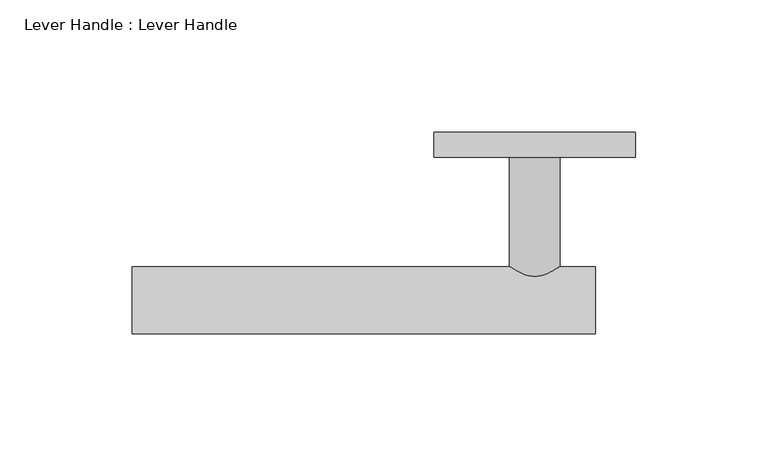
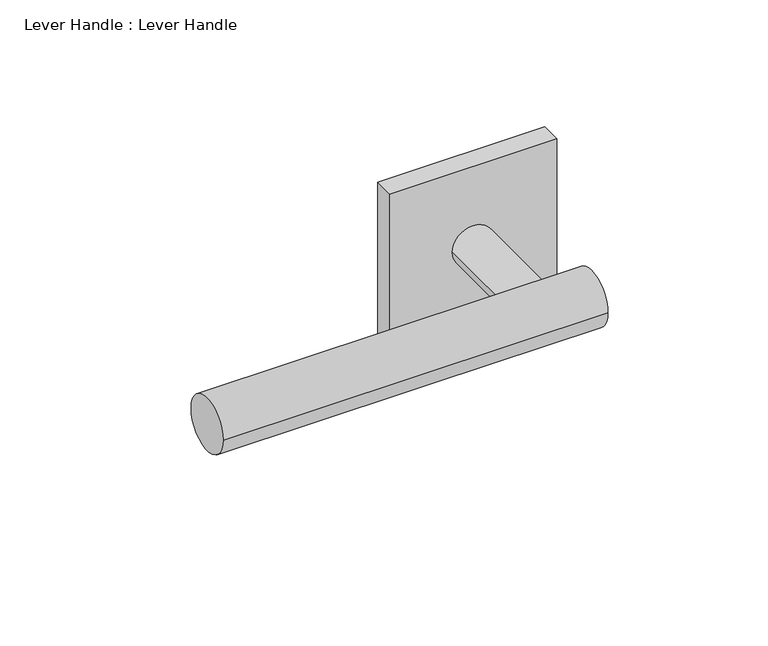
"""IFC4 building model written with IfcOpenShell, lengths in millimetres: proxy geometry, Lever Handle : Lever Handle."""

from ifc_helpers import new_model, si_unit, point, frame, frame_2d, origin, origin_2d, place, context, project, spatial, polyline, circle_curve, trimmed, segment, composite_curve, outline, extrude, source, transform, mapped, element, save


def lever_handle_lever_handle_267f404d(model_context):
    return source(origin(), model_context, "Body", "SweptSolid", [
        extrude(outline(composite_curve([segment(trimmed(circle_curve(frame_2d((-63.5, 0.0)), 12.7), [point((-50.8, 0.0))], [point((-76.2, 0.0))], False, "CARTESIAN"), True, "CONTINUOUS"), segment(trimmed(circle_curve(frame_2d((-63.5, 0.0)), 12.7), [point((-76.2, 0.0))], [point((-50.8, 0.0))], False, "CARTESIAN"), True, "CONTINUOUS")], self_intersect=False)), frame((-152.4, 0.0, 0.0), z_axis=(1.0, 0.0, 0.0), x_axis=(0.0, 1.0, 0.0)), (0.0, 0.0, 1.0), 175.3000987),
        extrude(outline(composite_curve([segment(trimmed(circle_curve(origin_2d(), 9.525), [point((0.0, -9.525))], [point((0.0, 9.525))], False, "CARTESIAN"), True, "CONTINUOUS"), segment(trimmed(circle_curve(origin_2d(), 9.525), [point((0.0, 9.525))], [point((0.0, -9.525))], False, "CARTESIAN"), True, "CONTINUOUS")], self_intersect=False)), frame((0.0, -63.5, 0.0), z_axis=(0.0, 1.0, 0.0), x_axis=(0.0, 0.0, 1.0)), (0.0, 0.0, 1.0), 53.975),
        extrude(outline(polyline([(38.1, -9.525), (-38.1, -9.525), (-38.1, 0.0), (38.1, 0.0), (38.1, -9.525)])), frame((0.0, 0.0, -38.1), z_axis=(0.0, 0.0, 1.0), x_axis=(1.0, 0.0, 0.0)), (0.0, 0.0, 1.0), 76.2),
    ])


if __name__ == "__main__":
    model = new_model("IFC4")
    model_context = context("Model", 3, world=origin())
    ifc_project = project(units=[si_unit("LENGTHUNIT", "METRE", prefix="MILLI")], contexts=[model_context])
    site = spatial("IfcSite", under=ifc_project)
    building = spatial("IfcBuilding", under=site)
    placement = place(None, origin())
    lever_handle_lever_handle_shape = lever_handle_lever_handle_267f404d(model_context)
    element("IfcBuildingElementProxy", 1, Name="Lever Handle : Lever Handle", ObjectType="Lever Handle : Lever Handle", at=placement, inside=building, context=model_context, shape_type="MappedRepresentation", body=[
        mapped(lever_handle_lever_handle_shape, transform((0.0, 0.0, 0.0), x_axis=(1.0, 0.0, 0.0), y_axis=(0.0, 1.0, 0.0), z_axis=(0.0, 0.0, 1.0))),
    ])
    save(model, "model.ifc")
